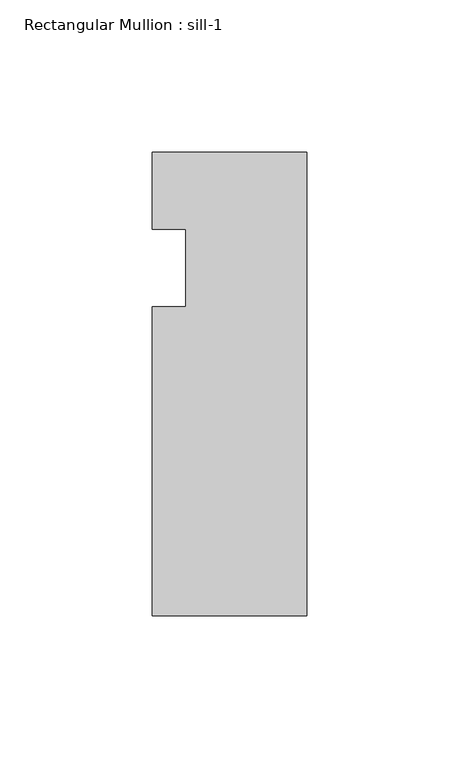
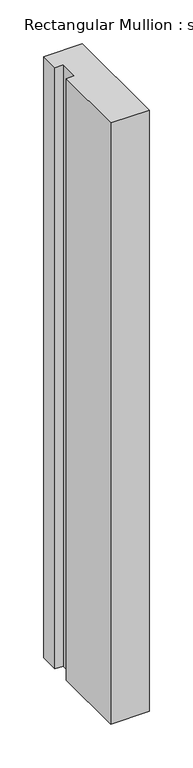
"""IFC4 building model written with IfcOpenShell, lengths in millimetres: member geometry, Rectangular Mullion : sill-1."""

from ifc_helpers import new_model, si_unit, frame, origin, place, context, project, spatial, polyline, outline, extrude, source, transform, mapped, element, save


def rectangular_mullion_sill_1_19f3253e(model_context):
    return source(origin(), model_context, "Body", "SweptSolid", [
        extrude(outline(polyline([(0.0, 6.35), (0.0, -146.05), (-50.8, -146.05), (-50.8, -44.45), (-39.798625, -44.45), (-39.798625, -19.05), (-50.8, -19.05), (-50.8, 6.35), (0.0, 6.35)])), frame((0.0, 0.0, -838.2), z_axis=(0.0, 0.0, 1.0), x_axis=(1.0, 0.0, 0.0)), (0.0, 0.0, 1.0), 838.2),
    ])


if __name__ == "__main__":
    model = new_model("IFC4")
    model_context = context("Model", 3, world=origin())
    ifc_project = project(units=[si_unit("LENGTHUNIT", "METRE", prefix="MILLI")], contexts=[model_context])
    site = spatial("IfcSite", under=ifc_project)
    building = spatial("IfcBuilding", under=site)
    placement = place(None, origin())
    rectangular_mullion_sill_1_shape = rectangular_mullion_sill_1_19f3253e(model_context)
    element("IfcMember", 1, ObjectType="Rectangular Mullion : sill-1", at=placement, inside=building, context=model_context, shape_type="MappedRepresentation", body=[
        mapped(rectangular_mullion_sill_1_shape, transform((0.0, 0.0, 0.0), x_axis=(1.0, 0.0, 0.0), y_axis=(0.0, 1.0, 0.0), z_axis=(0.0, 0.0, 1.0))),
    ])
    save(model, "model.ifc")
